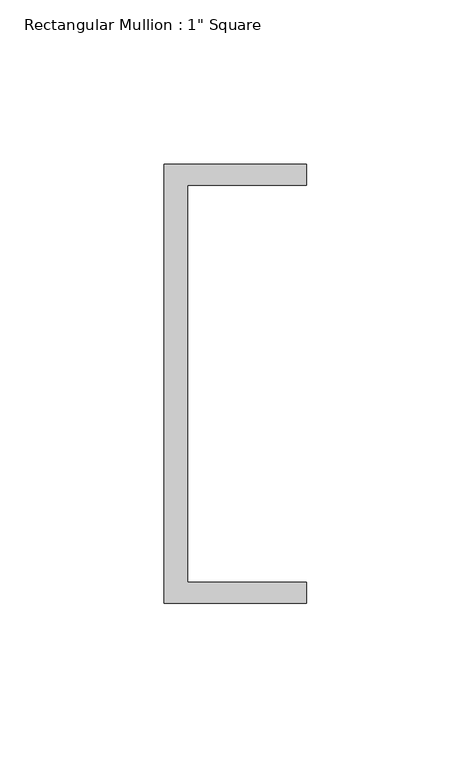
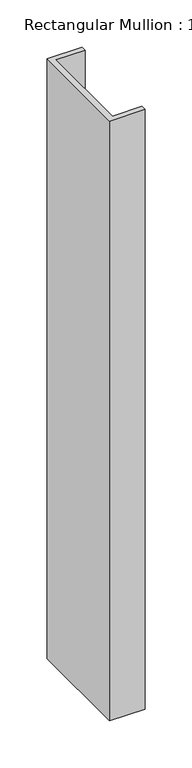
"""IFC4 building model written with IfcOpenShell, lengths in millimetres: member geometry."""

from ifc_helpers import new_model, si_unit, frame, origin, place, context, project, spatial, polyline, outline, extrude, source, transform, mapped, element, save


def member_1063efdd(model_context):
    return source(origin(), model_context, "Body", "SweptSolid", [
        extrude(outline(polyline([(-18.6549463, 135.2608739), (24.5675083, 135.2608739), (24.5675083, 128.9108739), (-11.6110886, 128.9108739), (-11.6110886, 8.2608739), (24.5675083, 8.2608739), (24.5675083, 1.9108739), (-18.6549463, 1.9108739), (-18.6549463, 135.2608739)])), frame((0.0, 0.0, -777.7773743), z_axis=(0.0, 0.0, 1.0), x_axis=(1.0, 0.0, 0.0)), (0.0, 0.0, 1.0), 777.7773743),
    ])


if __name__ == "__main__":
    model = new_model("IFC4")
    model_context = context("Model", 3, world=origin())
    ifc_project = project(units=[si_unit("LENGTHUNIT", "METRE", prefix="MILLI")], contexts=[model_context])
    site = spatial("IfcSite", under=ifc_project)
    building = spatial("IfcBuilding", under=site)
    placement = place(None, origin())
    member_shape = member_1063efdd(model_context)
    element("IfcMember", 1, ObjectType="Rectangular Mullion : 1\" Square", at=placement, inside=building, context=model_context, shape_type="MappedRepresentation", body=[
        mapped(member_shape, transform((0.0, 0.0, 0.0), x_axis=(1.0, 0.0, 0.0), y_axis=(0.0, 1.0, 0.0), z_axis=(0.0, 0.0, 1.0))),
    ])
    save(model, "model.ifc")
